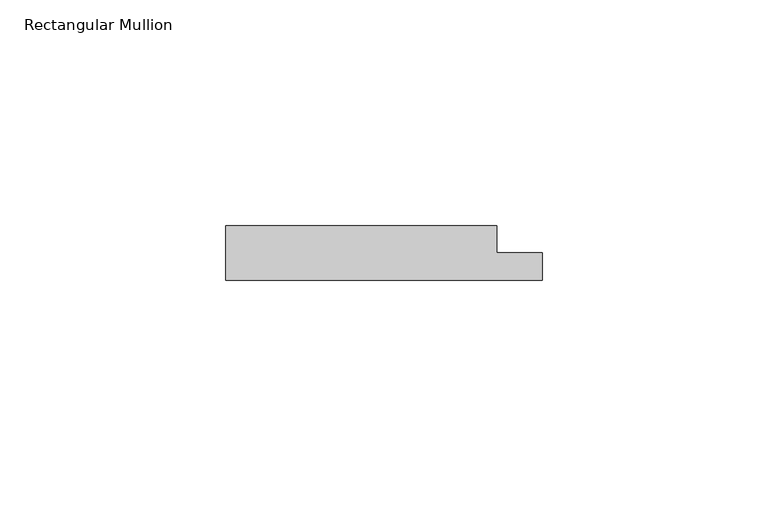
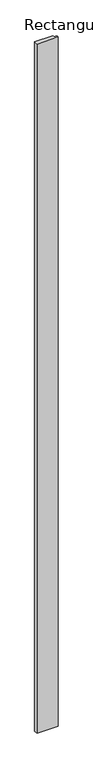
"""IFC4 building model written with IfcOpenShell, lengths in millimetres: member geometry, Rectangular Mullion."""

from ifc_helpers import new_model, si_unit, frame, origin, place, context, project, spatial, polyline, outline, extrude, source, transform, mapped, element, save


def rectangular_mullion_b7c92f96(model_context):
    return source(origin(), model_context, "Body", "SweptSolid", [
        extrude(outline(polyline([(40.0, 0.0), (-30.0, 0.0), (-30.0, 12.0), (30.0, 12.0), (30.0, 6.0), (40.0, 6.0), (40.0, 0.0)])), frame((0.0, 0.0, -2400.0), z_axis=(0.0, 0.0, 1.0), x_axis=(1.0, 0.0, 0.0)), (0.0, 0.0, 1.0), 2400.0),
    ])


if __name__ == "__main__":
    model = new_model("IFC4")
    model_context = context("Model", 3, world=origin())
    ifc_project = project(units=[si_unit("LENGTHUNIT", "METRE", prefix="MILLI")], contexts=[model_context])
    site = spatial("IfcSite", under=ifc_project)
    building = spatial("IfcBuilding", under=site)
    placement = place(None, origin())
    rectangular_mullion_shape = rectangular_mullion_b7c92f96(model_context)
    element("IfcMember", 1, ObjectType="Rectangular Mullion", at=placement, inside=building, context=model_context, shape_type="MappedRepresentation", body=[
        mapped(rectangular_mullion_shape, transform((0.0, 0.0, 0.0), x_axis=(1.0, 0.0, 0.0), y_axis=(0.0, 1.0, 0.0), z_axis=(0.0, 0.0, 1.0))),
    ])
    save(model, "model.ifc")
